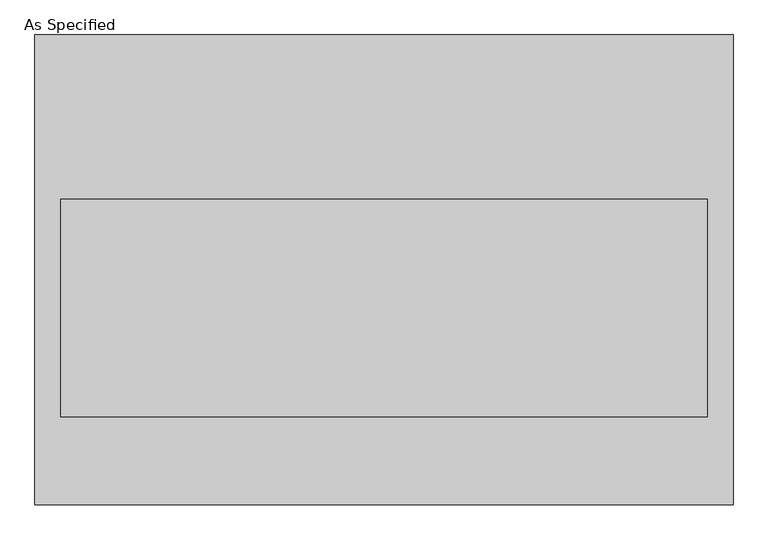
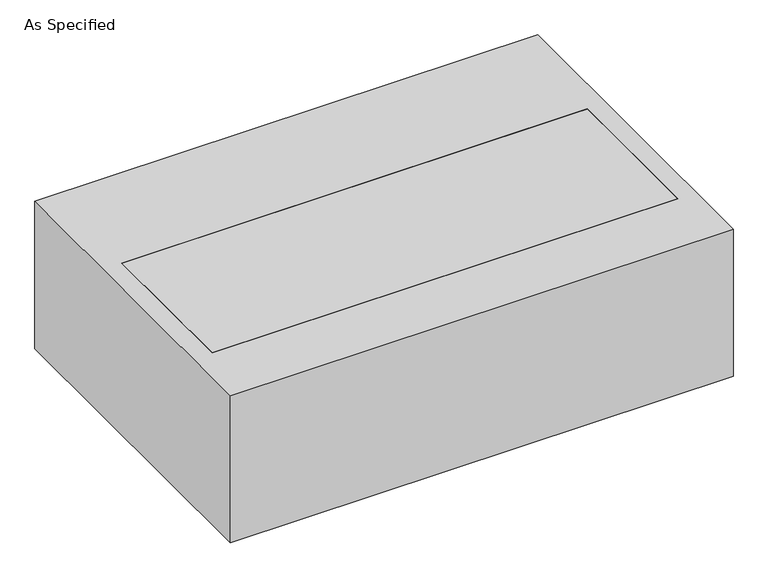
"""IFC4 building model written with IfcOpenShell, lengths in millimetres: proxy geometry, As Specified."""

from ifc_helpers import new_model, si_unit, frame, origin, place, context, project, spatial, polyline, outline, extrude, source, transform, mapped, element, save


def as_specified_fba983cd(model_context):
    return source(origin(), model_context, "Body", "SweptSolid", [
        extrude(outline(polyline([(-815.975, -549.275), (-815.975, 549.275), (815.975, 549.275), (815.975, -549.275), (-815.975, -549.275)]), holes=[polyline([(755.65, 165.1), (-755.65, 165.1), (-755.65, -342.9), (755.65, -342.9), (755.65, 165.1)])]), frame((0.0, 0.0, -530.225), z_axis=(0.0, 0.0, 1.0), x_axis=(1.0, 0.0, 0.0)), (0.0, 0.0, 1.0), 504.825),
        extrude(outline(polyline([(755.65, 165.1), (755.65, -342.9), (-755.65, -342.9), (-755.65, 165.1), (755.65, 165.1)])), frame((0.0, 0.0, -530.225), z_axis=(0.0, 0.0, 1.0), x_axis=(1.0, 0.0, 0.0)), (0.0, 0.0, 1.0), 504.825),
    ])


if __name__ == "__main__":
    model = new_model("IFC4")
    model_context = context("Model", 3, world=origin())
    ifc_project = project(units=[si_unit("LENGTHUNIT", "METRE", prefix="MILLI")], contexts=[model_context])
    site = spatial("IfcSite", under=ifc_project)
    building = spatial("IfcBuilding", under=site)
    placement = place(None, origin())
    as_specified_shape = as_specified_fba983cd(model_context)
    element("IfcBuildingElementProxy", 1, Name="As Specified", ObjectType="As Specified", at=placement, inside=building, context=model_context, shape_type="MappedRepresentation", body=[
        mapped(as_specified_shape, transform((0.0, 0.0, 0.0), x_axis=(1.0, 0.0, 0.0), y_axis=(0.0, 1.0, 0.0), z_axis=(0.0, 0.0, 1.0))),
    ])
    save(model, "model.ifc")
